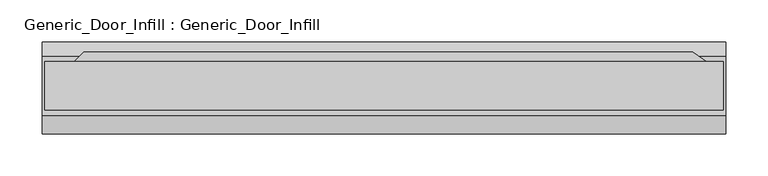
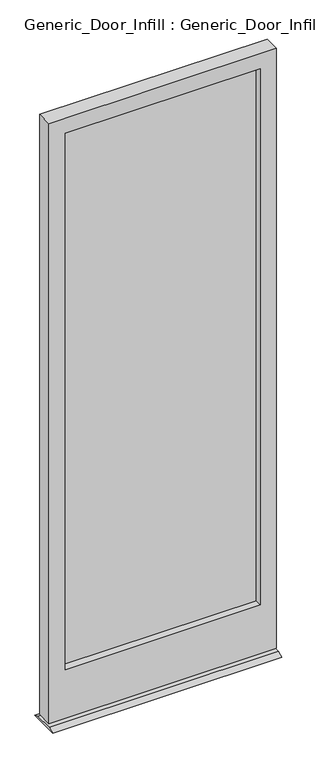
"""IFC4 building model written with IfcOpenShell, lengths in millimetres: plate geometry, Generic_Door_Infill : Generic_Door_Infill."""

from ifc_helpers import new_model, si_unit, frame, origin, place, context, project, spatial, polyline, outline, extrude, source, transform, mapped, element, save


def generic_door_infill_generic_door_infill_56d8b3cf(model_context):
    return source(origin(), model_context, "Body", "SweptSolid", [
        extrude(outline(polyline([(-356.6894878, 35.8230014), (367.1567123, 35.8230014), (392.8069821, 17.8624892), (-374.65, 17.8624892), (-356.6894878, 35.8230014)])), frame((0.0, 0.0, 1090.3849987), z_axis=(0.0, 0.0, 1.0), x_axis=(1.0, 0.0, 0.0)), (0.0, 0.0, 1.0), 78.0150013),
        extrude(outline(polyline([(-346.075, -7.5375108), (-346.075, -1.1875108), (346.075, -1.1875108), (346.075, -7.5375108), (-346.075, -7.5375108)])), frame((0.0, 0.0, 200.025), z_axis=(0.0, 0.0, 1.0), x_axis=(1.0, 0.0, 0.0)), (0.0, 0.0, 1.0), 2009.775),
        extrude(outline(polyline([(2266.95, 403.225), (2266.95, -403.225), (17.4625, -403.225), (17.4625, 403.225), (2266.95, 403.225)]), holes=[polyline([(2209.8, 346.075), (200.025, 346.075), (200.025, -346.075), (2209.8, -346.075), (2209.8, 346.075)])]), frame((0.0, -32.9375108, 0.0), z_axis=(0.0, 1.0, 0.0), x_axis=(0.0, 0.0, 1.0)), (0.0, 0.0, 1.0), 57.15),
        extrude(outline(polyline([(30.5624892, 8.0508779), (47.8276525, 0.0), (-61.407116, 0.0), (-39.2875108, 8.0508779), (30.5624892, 8.0508779)])), frame((-406.4, 0.0, 0.0), z_axis=(1.0, 0.0, 0.0), x_axis=(0.0, 1.0, 0.0)), (0.0, 0.0, 1.0), 812.8),
    ])


if __name__ == "__main__":
    model = new_model("IFC4")
    model_context = context("Model", 3, world=origin())
    ifc_project = project(units=[si_unit("LENGTHUNIT", "METRE", prefix="MILLI")], contexts=[model_context])
    site = spatial("IfcSite", under=ifc_project)
    building = spatial("IfcBuilding", under=site)
    placement = place(None, origin())
    generic_door_infill_generic_door_infill_shape = generic_door_infill_generic_door_infill_56d8b3cf(model_context)
    element("IfcPlate", 1, ObjectType="Generic_Door_Infill : Generic_Door_Infill", at=placement, inside=building, context=model_context, shape_type="MappedRepresentation", body=[
        mapped(generic_door_infill_generic_door_infill_shape, transform((0.0, 0.0, 0.0), x_axis=(1.0, 0.0, 0.0), y_axis=(0.0, 1.0, 0.0), z_axis=(0.0, 0.0, 1.0))),
    ])
    save(model, "model.ifc")
